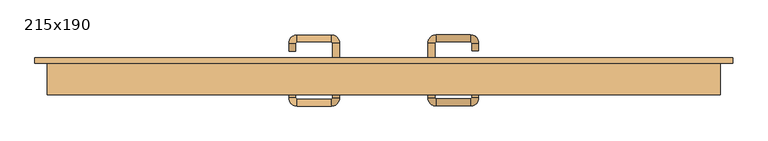
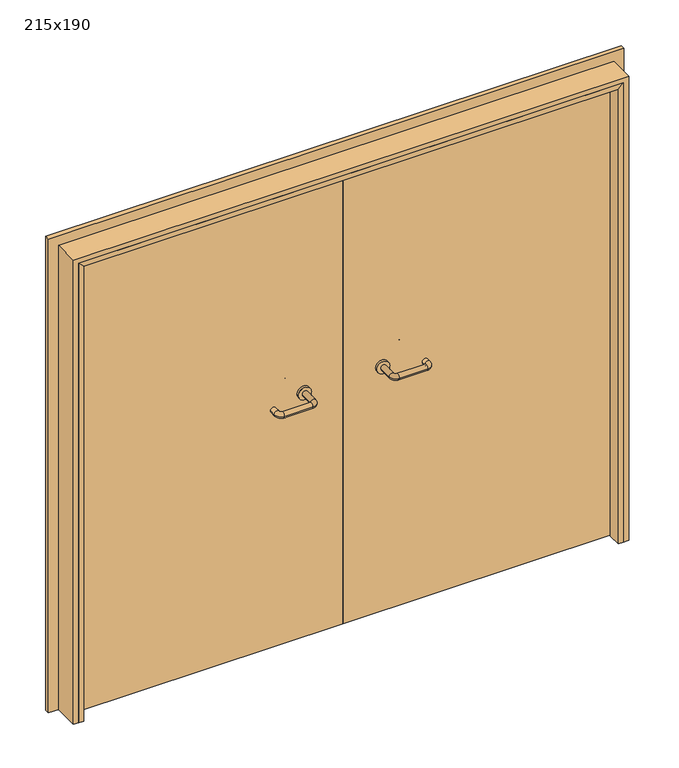
"""IFC4 building model written with IfcOpenShell, lengths in millimetres: door geometry, 215x190."""

from ifc_helpers import new_model, si_unit, point, frame, frame_2d, origin, place, context, project, spatial, polyline, circle_curve, ellipse_curve, trimmed, segment, composite_curve, outline, extrude, faceted_brep, source, transform, mapped, element, save
from ifc_brep_helpers import plane_surface, cylinder_surface, revolved_surface, advanced_brep


def door_215x190_ee1ec59c(model_context):
    return source(origin(), model_context, "Body", "SolidModel", [
        faceted_brep([(-1035.0, 28.0, 0.0), (-1035.0, -25.0, 0.0), (-1055.0, -25.0, 0.0), (-1055.0, 28.0, 0.0), (-1035.0, 28.0, 1860.0), (-1035.0, -25.0, 1860.0), (-1055.0, -25.0, 1880.0), (-1055.0, 28.0, 1880.0), (1035.0, 28.0, 0.0), (1055.0, 28.0, 0.0), (1055.0, -25.0, 0.0), (1035.0, -25.0, 0.0), (1035.0, 28.0, 1860.0), (1055.0, 28.0, 1880.0), (1055.0, -25.0, 1880.0), (1035.0, -25.0, 1860.0)], [[[0, 1, 2, 3]], [[1, 0, 4, 5]], [[2, 1, 5, 6]], [[3, 2, 6, 7]], [[0, 3, 7, 4]], [[8, 9, 10, 11]], [[12, 13, 9, 8]], [[13, 14, 10, 9]], [[14, 15, 11, 10]], [[15, 12, 8, 11]], [[5, 4, 12, 15]], [[6, 5, 15, 14]], [[7, 6, 14, 13]], [[4, 7, 13, 12]]]),
        extrude(outline(polyline([(1939.0, 1114.0), (1939.0, -1114.0), (0.0, -1114.0), (0.0, -1070.0), (1895.0, -1070.0), (1895.0, 1070.0), (0.0, 1070.0), (0.0, 1114.0), (1939.0, 1114.0)])), frame((0.0, 75.0, 0.0), z_axis=(0.0, 1.0, 0.0), x_axis=(0.0, 0.0, 1.0)), (0.0, 0.0, 1.0), 18.0),
        extrude(outline(polyline([(1900.0, -1075.0), (0.0, -1075.0), (0.0, -1055.0), (1880.0, -1055.0), (1880.0, 1055.0), (0.0, 1055.0), (0.0, 1075.0), (1900.0, 1075.0), (1900.0, -1075.0)])), frame((0.0, -25.0, 0.0), z_axis=(0.0, 1.0, 0.0), x_axis=(0.0, 0.0, 1.0)), (0.0, 0.0, 1.0), 100.0),
        advanced_brep(
        [(140.99898, 21.0, 1003.0), (162.99898, 21.0, 1003.0), (140.99898, -34.3525369, 1003.0), (162.99898, -34.3525369, 1003.0), (166.99898, -38.3525369, 1003.0), (166.99898, -60.3525369, 1003.0), (276.99898, -60.3525369, 1003.0), (276.99898, -38.3525369, 1003.0), (280.99898, -34.3525369, 1003.0), (302.99898, -34.3525369, 1003.0), (302.99898, -17.0, 1003.0), (280.99898, -17.0, 1003.0)],
        [
            (0, 1, circle_curve(frame((151.99898, 21.0, 1003.0), z_axis=(0.0, 1.0, 0.0), x_axis=(1.0, 0.0, 0.0)), 11.0)),
            (1, 0, circle_curve(frame((151.99898, 21.0, 1003.0), z_axis=(0.0, 1.0, 0.0), x_axis=(1.0, 0.0, 0.0)), 11.0)),
            (0, 2),
            (2, 3, circle_curve(frame((151.99898, -34.3525369, 1003.0), z_axis=(0.0, 1.0, 0.0), x_axis=(1.0, 0.0, 0.0)), 11.0)),
            (3, 1),
            (3, 2, circle_curve(frame((151.99898, -34.3525369, 1003.0), z_axis=(0.0, 1.0, 0.0), x_axis=(1.0, 0.0, 0.0)), 11.0)),
            (4, 3, circle_curve(frame((166.99898, -34.3525369, 1003.0), z_axis=(0.0, 0.0, -1.0), x_axis=(-1.0, 0.0, 0.0)), 4.0)),
            (2, 5, circle_curve(frame((166.99898, -34.3525369, 1003.0), z_axis=(0.0, 0.0, 1.0), x_axis=(-1.0, 0.0, 0.0)), 26.0)),
            (5, 4, circle_curve(frame((166.99898, -49.3525369, 1003.0), z_axis=(-1.0, 0.0, 0.0), x_axis=(0.0, 1.0, 0.0)), 11.0)),
            (4, 5, circle_curve(frame((166.99898, -49.3525369, 1003.0), z_axis=(-1.0, 0.0, 0.0), x_axis=(0.0, 1.0, 0.0)), 11.0)),
            (5, 6),
            (6, 7, circle_curve(frame((276.99898, -49.3525369, 1003.0), z_axis=(-1.0, 0.0, 0.0), x_axis=(0.0, 1.0, 0.0)), 11.0)),
            (7, 4),
            (7, 6, circle_curve(frame((276.99898, -49.3525369, 1003.0), z_axis=(-1.0, 0.0, 0.0), x_axis=(0.0, 1.0, 0.0)), 11.0)),
            (8, 7, circle_curve(frame((276.99898, -34.3525369, 1003.0), z_axis=(0.0, 0.0, -1.0), x_axis=(0.0, -1.0, 0.0)), 4.0)),
            (6, 9, circle_curve(frame((276.99898, -34.3525369, 1003.0), z_axis=(0.0, 0.0, 1.0), x_axis=(0.0, -1.0, 0.0)), 26.0)),
            (9, 8, circle_curve(frame((291.99898, -34.3525369, 1003.0), z_axis=(0.0, -1.0, 0.0), x_axis=(-1.0, 0.0, 0.0)), 11.0)),
            (8, 9, circle_curve(frame((291.99898, -34.3525369, 1003.0), z_axis=(0.0, -1.0, 0.0), x_axis=(-1.0, 0.0, 0.0)), 11.0)),
            (10, 11, circle_curve(frame((291.99898, -17.0, 1003.0), z_axis=(0.0, 1.0, 0.0), x_axis=(-1.0, 0.0, 0.0)), 11.0)),
            (11, 10, circle_curve(frame((291.99898, -17.0, 1003.0), z_axis=(0.0, 1.0, 0.0), x_axis=(-1.0, 0.0, 0.0)), 11.0)),
            (9, 10),
            (11, 8),
        ],
        [
            plane_surface(frame((140.99898, 21.0, 1003.0), z_axis=(0.0, 1.0, 0.0), x_axis=(0.0, 0.0, -1.0))),
            cylinder_surface(frame((151.99898, 21.0, 1003.0), z_axis=(0.0, 1.0, 0.0), x_axis=(1.0, 0.0, 0.0)), 11.0),
            revolved_surface(trimmed(ellipse_curve(frame((151.99898, -34.3525369, 1003.0), z_axis=(0.0, 1.0, 0.0), x_axis=(1.0, 0.0, 0.0)), 11.0, 11.0), [point((140.99898, -34.3525369, 1003.0))], [point((162.99898, -34.3525369, 1003.0))], True, "CARTESIAN"), (166.99898, -34.3525369, 1003.0), (0.0, 0.0, 1.0)),
            revolved_surface(trimmed(ellipse_curve(frame((151.99898, -34.3525369, 1003.0), z_axis=(0.0, 1.0, 0.0), x_axis=(1.0, 0.0, 0.0)), 11.0, 11.0), [point((162.99898, -34.3525369, 1003.0))], [point((140.99898, -34.3525369, 1003.0))], True, "CARTESIAN"), (166.99898, -34.3525369, 1003.0), (0.0, 0.0, 1.0)),
            cylinder_surface(frame((166.99898, -49.3525369, 1003.0), z_axis=(-1.0, 0.0, 0.0), x_axis=(0.0, 1.0, 0.0)), 11.0),
            revolved_surface(trimmed(ellipse_curve(frame((276.99898, -49.3525369, 1003.0), z_axis=(-1.0, 0.0, 0.0), x_axis=(0.0, 1.0, 0.0)), 11.0, 11.0), [point((276.99898, -60.3525369, 1003.0))], [point((276.99898, -38.3525369, 1003.0))], True, "CARTESIAN"), (276.99898, -34.3525369, 1003.0), (0.0, 0.0, 1.0)),
            revolved_surface(trimmed(ellipse_curve(frame((276.99898, -49.3525369, 1003.0), z_axis=(-1.0, 0.0, 0.0), x_axis=(0.0, 1.0, 0.0)), 11.0, 11.0), [point((276.99898, -38.3525369, 1003.0))], [point((276.99898, -60.3525369, 1003.0))], True, "CARTESIAN"), (276.99898, -34.3525369, 1003.0), (0.0, 0.0, 1.0)),
            plane_surface(frame((280.99898, -17.0, 1003.0), z_axis=(0.0, 1.0, 0.0), x_axis=(0.0, 0.0, 1.0))),
            cylinder_surface(frame((291.99898, -34.3525369, 1003.0), z_axis=(0.0, -1.0, 0.0), x_axis=(-1.0, 0.0, 0.0)), 11.0),
        ],
        [
            (0, [[1, 2]]),
            (1, [[-1, 3, 4, 5]]),
            (1, [[-2, -5, 6, -3]]),
            (2, [[7, -4, 8, 9]]),
            (3, [[-8, -6, -7, 10]]),
            (4, [[-9, 11, 12, 13]]),
            (4, [[-10, -13, 14, -11]]),
            (5, [[15, -12, 16, 17]]),
            (6, [[-16, -14, -15, 18]]),
            (7, [[19, 20]]),
            (8, [[-17, 21, -20, 22]]),
            (8, [[-18, -22, -19, -21]]),
        ],
    ),
        extrude(outline(composite_curve([segment(trimmed(circle_curve(frame_2d((1003.0, 151.99898)), 25.0), [point((1003.0, 126.99898))], [point((1003.0, 176.99898))], False, "CARTESIAN"), True, "CONTINUOUS"), segment(trimmed(circle_curve(frame_2d((1003.0, 151.99898)), 25.0), [point((1003.0, 176.99898))], [point((1003.0, 126.99898))], False, "CARTESIAN"), True, "CONTINUOUS")], self_intersect=False)), frame((0.0, 21.0, 0.0), z_axis=(0.0, 1.0, 0.0), x_axis=(0.0, 0.0, 1.0)), (0.0, 0.0, 1.0), 10.0),
        advanced_brep(
        [(162.99898, 85.0, 1003.0), (140.99898, 85.0, 1003.0), (162.99898, 140.0, 1003.0), (140.99898, 140.0, 1003.0), (166.99898, 166.0, 1003.0), (166.99898, 144.0, 1003.0), (276.99898, 144.0, 1003.0), (276.99898, 166.0, 1003.0), (302.99898, 140.0, 1003.0), (280.99898, 140.0, 1003.0), (280.99898, 115.0, 1003.0), (302.99898, 115.0, 1003.0)],
        [
            (0, 1, circle_curve(frame((151.99898, 85.0, 1003.0), z_axis=(0.0, -1.0, 0.0), x_axis=(-1.0, 0.0, 0.0)), 11.0)),
            (1, 0, circle_curve(frame((151.99898, 85.0, 1003.0), z_axis=(0.0, -1.0, 0.0), x_axis=(-1.0, 0.0, 0.0)), 11.0)),
            (0, 2),
            (2, 3, circle_curve(frame((151.99898, 140.0, 1003.0), z_axis=(0.0, -1.0, 0.0), x_axis=(-1.0, 0.0, 0.0)), 11.0)),
            (3, 1),
            (3, 2, circle_curve(frame((151.99898, 140.0, 1003.0), z_axis=(0.0, -1.0, 0.0), x_axis=(-1.0, 0.0, 0.0)), 11.0)),
            (4, 3, circle_curve(frame((166.99898, 140.0, 1003.0), z_axis=(0.0, 0.0, 1.0), x_axis=(-1.0, 0.0, 0.0)), 26.0)),
            (2, 5, circle_curve(frame((166.99898, 140.0, 1003.0), z_axis=(0.0, 0.0, -1.0), x_axis=(-1.0, 0.0, 0.0)), 4.0)),
            (5, 4, circle_curve(frame((166.99898, 155.0, 1003.0), z_axis=(-1.0, 0.0, 0.0), x_axis=(0.0, 1.0, 0.0)), 11.0)),
            (4, 5, circle_curve(frame((166.99898, 155.0, 1003.0), z_axis=(-1.0, 0.0, 0.0), x_axis=(0.0, 1.0, 0.0)), 11.0)),
            (5, 6),
            (6, 7, circle_curve(frame((276.99898, 155.0, 1003.0), z_axis=(-1.0, 0.0, 0.0), x_axis=(0.0, 1.0, 0.0)), 11.0)),
            (7, 4),
            (7, 6, circle_curve(frame((276.99898, 155.0, 1003.0), z_axis=(-1.0, 0.0, 0.0), x_axis=(0.0, 1.0, 0.0)), 11.0)),
            (8, 7, circle_curve(frame((276.99898, 140.0, 1003.0), z_axis=(0.0, 0.0, 1.0), x_axis=(0.0, 1.0, 0.0)), 26.0)),
            (6, 9, circle_curve(frame((276.99898, 140.0, 1003.0), z_axis=(0.0, 0.0, -1.0), x_axis=(0.0, 1.0, 0.0)), 4.0)),
            (9, 8, circle_curve(frame((291.99898, 140.0, 1003.0), z_axis=(0.0, 1.0, 0.0), x_axis=(1.0, 0.0, 0.0)), 11.0)),
            (8, 9, circle_curve(frame((291.99898, 140.0, 1003.0), z_axis=(0.0, 1.0, 0.0), x_axis=(1.0, 0.0, 0.0)), 11.0)),
            (10, 11, circle_curve(frame((291.99898, 115.0, 1003.0), z_axis=(0.0, -1.0, 0.0), x_axis=(1.0, 0.0, 0.0)), 11.0)),
            (11, 10, circle_curve(frame((291.99898, 115.0, 1003.0), z_axis=(0.0, -1.0, 0.0), x_axis=(1.0, 0.0, 0.0)), 11.0)),
            (9, 10),
            (11, 8),
        ],
        [
            plane_surface(frame((140.99898, 85.0, 1003.0), z_axis=(0.0, -1.0, 0.0), x_axis=(0.0, 0.0, 1.0))),
            cylinder_surface(frame((151.99898, 85.0, 1003.0), z_axis=(0.0, -1.0, 0.0), x_axis=(-1.0, 0.0, 0.0)), 11.0),
            revolved_surface(trimmed(ellipse_curve(frame((151.99898, 140.0, 1003.0), z_axis=(0.0, -1.0, 0.0), x_axis=(-1.0, 0.0, 0.0)), 11.0, 11.0), [point((162.99898, 140.0, 1003.0))], [point((140.99898, 140.0, 1003.0))], True, "CARTESIAN"), (166.99898, 140.0, 1003.0), (0.0, 0.0, -1.0)),
            revolved_surface(trimmed(ellipse_curve(frame((151.99898, 140.0, 1003.0), z_axis=(0.0, -1.0, 0.0), x_axis=(-1.0, 0.0, 0.0)), 11.0, 11.0), [point((140.99898, 140.0, 1003.0))], [point((162.99898, 140.0, 1003.0))], True, "CARTESIAN"), (166.99898, 140.0, 1003.0), (0.0, 0.0, -1.0)),
            cylinder_surface(frame((166.99898, 155.0, 1003.0), z_axis=(-1.0, 0.0, 0.0), x_axis=(0.0, 1.0, 0.0)), 11.0),
            revolved_surface(trimmed(ellipse_curve(frame((276.99898, 155.0, 1003.0), z_axis=(-1.0, 0.0, 0.0), x_axis=(0.0, 1.0, 0.0)), 11.0, 11.0), [point((276.99898, 144.0, 1003.0))], [point((276.99898, 166.0, 1003.0))], True, "CARTESIAN"), (276.99898, 140.0, 1003.0), (0.0, 0.0, -1.0)),
            revolved_surface(trimmed(ellipse_curve(frame((276.99898, 155.0, 1003.0), z_axis=(-1.0, 0.0, 0.0), x_axis=(0.0, 1.0, 0.0)), 11.0, 11.0), [point((276.99898, 166.0, 1003.0))], [point((276.99898, 144.0, 1003.0))], True, "CARTESIAN"), (276.99898, 140.0, 1003.0), (0.0, 0.0, -1.0)),
            plane_surface(frame((280.99898, 115.0, 1003.0), z_axis=(0.0, -1.0, 0.0), x_axis=(0.0, 0.0, -1.0))),
            cylinder_surface(frame((291.99898, 140.0, 1003.0), z_axis=(0.0, 1.0, 0.0), x_axis=(1.0, 0.0, 0.0)), 11.0),
        ],
        [
            (0, [[1, 2]]),
            (1, [[-1, 3, 4, 5]]),
            (1, [[-2, -5, 6, -3]]),
            (2, [[7, -4, 8, 9]]),
            (3, [[-8, -6, -7, 10]]),
            (4, [[-9, 11, 12, 13]]),
            (4, [[-10, -13, 14, -11]]),
            (5, [[15, -12, 16, 17]]),
            (6, [[-16, -14, -15, 18]]),
            (7, [[19, 20]]),
            (8, [[-17, 21, -20, 22]]),
            (8, [[-18, -22, -19, -21]]),
        ],
    ),
        extrude(outline(composite_curve([segment(trimmed(circle_curve(frame_2d((1003.0, 151.99898)), 25.0), [point((1003.0, 176.99898))], [point((1003.0, 126.99898))], False, "CARTESIAN"), True, "CONTINUOUS"), segment(trimmed(circle_curve(frame_2d((1003.0, 151.99898)), 25.0), [point((1003.0, 126.99898))], [point((1003.0, 176.99898))], False, "CARTESIAN"), True, "CONTINUOUS")], self_intersect=False)), frame((0.0, 75.0, 0.0), z_axis=(0.0, 1.0, 0.0), x_axis=(0.0, 0.0, 1.0)), (0.0, 0.0, 1.0), 10.0),
        advanced_brep(
        [(-162.99898, 20.6886121, 1003.0), (-140.99898, 20.6886121, 1003.0), (-162.99898, -34.7220447, 1003.0), (-140.99898, -34.7220447, 1003.0), (-166.99898, -60.7220447, 1003.0), (-166.99898, -38.7220447, 1003.0), (-276.99898, -38.7220447, 1003.0), (-276.99898, -60.7220447, 1003.0), (-302.99898, -34.7220447, 1003.0), (-280.99898, -34.7220447, 1003.0), (-280.99898, -9.7220447, 1003.0), (-302.99898, -9.7220447, 1003.0)],
        [
            (0, 1, circle_curve(frame((-151.99898, 20.6886121, 1003.0), z_axis=(0.0, 1.0, 0.0), x_axis=(1.0, 0.0, 0.0)), 11.0)),
            (1, 0, circle_curve(frame((-151.99898, 20.6886121, 1003.0), z_axis=(0.0, 1.0, 0.0), x_axis=(1.0, 0.0, 0.0)), 11.0)),
            (0, 2),
            (2, 3, circle_curve(frame((-151.99898, -34.7220447, 1003.0), z_axis=(0.0, 1.0, 0.0), x_axis=(1.0, 0.0, 0.0)), 11.0)),
            (3, 1),
            (3, 2, circle_curve(frame((-151.99898, -34.7220447, 1003.0), z_axis=(0.0, 1.0, 0.0), x_axis=(1.0, 0.0, 0.0)), 11.0)),
            (4, 3, circle_curve(frame((-166.99898, -34.7220447, 1003.0), z_axis=(0.0, 0.0, 1.0), x_axis=(1.0, 0.0, 0.0)), 26.0)),
            (2, 5, circle_curve(frame((-166.99898, -34.7220447, 1003.0), z_axis=(0.0, 0.0, -1.0), x_axis=(1.0, 0.0, 0.0)), 4.0)),
            (5, 4, circle_curve(frame((-166.99898, -49.7220447, 1003.0), z_axis=(1.0, 0.0, 0.0), x_axis=(0.0, -1.0, 0.0)), 11.0)),
            (4, 5, circle_curve(frame((-166.99898, -49.7220447, 1003.0), z_axis=(1.0, 0.0, 0.0), x_axis=(0.0, -1.0, 0.0)), 11.0)),
            (5, 6),
            (6, 7, circle_curve(frame((-276.99898, -49.7220447, 1003.0), z_axis=(1.0, 0.0, 0.0), x_axis=(0.0, -1.0, 0.0)), 11.0)),
            (7, 4),
            (7, 6, circle_curve(frame((-276.99898, -49.7220447, 1003.0), z_axis=(1.0, 0.0, 0.0), x_axis=(0.0, -1.0, 0.0)), 11.0)),
            (8, 7, circle_curve(frame((-276.99898, -34.7220447, 1003.0), z_axis=(0.0, 0.0, 1.0), x_axis=(0.0, -1.0, 0.0)), 26.0)),
            (6, 9, circle_curve(frame((-276.99898, -34.7220447, 1003.0), z_axis=(0.0, 0.0, -1.0), x_axis=(0.0, -1.0, 0.0)), 4.0)),
            (9, 8, circle_curve(frame((-291.99898, -34.7220447, 1003.0), z_axis=(0.0, -1.0, 0.0), x_axis=(-1.0, 0.0, 0.0)), 11.0)),
            (8, 9, circle_curve(frame((-291.99898, -34.7220447, 1003.0), z_axis=(0.0, -1.0, 0.0), x_axis=(-1.0, 0.0, 0.0)), 11.0)),
            (10, 11, circle_curve(frame((-291.99898, -9.7220447, 1003.0), z_axis=(0.0, 1.0, 0.0), x_axis=(-1.0, 0.0, 0.0)), 11.0)),
            (11, 10, circle_curve(frame((-291.99898, -9.7220447, 1003.0), z_axis=(0.0, 1.0, 0.0), x_axis=(-1.0, 0.0, 0.0)), 11.0)),
            (9, 10),
            (11, 8),
        ],
        [
            plane_surface(frame((-162.99898, 20.6886121, 1003.0), z_axis=(0.0, 1.0, 0.0), x_axis=(0.0, 0.0, -1.0))),
            cylinder_surface(frame((-151.99898, 20.6886121, 1003.0), z_axis=(0.0, 1.0, 0.0), x_axis=(1.0, 0.0, 0.0)), 11.0),
            revolved_surface(trimmed(ellipse_curve(frame((-151.99898, -34.7220447, 1003.0), z_axis=(0.0, 1.0, 0.0), x_axis=(1.0, 0.0, 0.0)), 11.0, 11.0), [point((-162.99898, -34.7220447, 1003.0))], [point((-140.99898, -34.7220447, 1003.0))], True, "CARTESIAN"), (-166.99898, -34.7220447, 1003.0), (0.0, 0.0, -1.0)),
            revolved_surface(trimmed(ellipse_curve(frame((-151.99898, -34.7220447, 1003.0), z_axis=(0.0, 1.0, 0.0), x_axis=(1.0, 0.0, 0.0)), 11.0, 11.0), [point((-140.99898, -34.7220447, 1003.0))], [point((-162.99898, -34.7220447, 1003.0))], True, "CARTESIAN"), (-166.99898, -34.7220447, 1003.0), (0.0, 0.0, -1.0)),
            cylinder_surface(frame((-166.99898, -49.7220447, 1003.0), z_axis=(1.0, 0.0, 0.0), x_axis=(0.0, -1.0, 0.0)), 11.0),
            revolved_surface(trimmed(ellipse_curve(frame((-276.99898, -49.7220447, 1003.0), z_axis=(1.0, 0.0, 0.0), x_axis=(0.0, -1.0, 0.0)), 11.0, 11.0), [point((-276.99898, -38.7220447, 1003.0))], [point((-276.99898, -60.7220447, 1003.0))], True, "CARTESIAN"), (-276.99898, -34.7220447, 1003.0), (0.0, 0.0, -1.0)),
            revolved_surface(trimmed(ellipse_curve(frame((-276.99898, -49.7220447, 1003.0), z_axis=(1.0, 0.0, 0.0), x_axis=(0.0, -1.0, 0.0)), 11.0, 11.0), [point((-276.99898, -60.7220447, 1003.0))], [point((-276.99898, -38.7220447, 1003.0))], True, "CARTESIAN"), (-276.99898, -34.7220447, 1003.0), (0.0, 0.0, -1.0)),
            plane_surface(frame((-302.99898, -9.7220447, 1003.0), z_axis=(0.0, 1.0, 0.0), x_axis=(0.0, 0.0, 1.0))),
            cylinder_surface(frame((-291.99898, -34.7220447, 1003.0), z_axis=(0.0, -1.0, 0.0), x_axis=(-1.0, 0.0, 0.0)), 11.0),
        ],
        [
            (0, [[1, 2]]),
            (1, [[-1, 3, 4, 5]]),
            (1, [[-2, -5, 6, -3]]),
            (2, [[7, -4, 8, 9]]),
            (3, [[-8, -6, -7, 10]]),
            (4, [[-9, 11, 12, 13]]),
            (4, [[-10, -13, 14, -11]]),
            (5, [[15, -12, 16, 17]]),
            (6, [[-16, -14, -15, 18]]),
            (7, [[19, 20]]),
            (8, [[-17, 21, -20, 22]]),
            (8, [[-18, -22, -19, -21]]),
        ],
    ),
        extrude(outline(composite_curve([segment(trimmed(circle_curve(frame_2d((1003.0, -151.99898)), 25.0), [point((1003.0, -176.99898))], [point((1003.0, -126.99898))], False, "CARTESIAN"), True, "CONTINUOUS"), segment(trimmed(circle_curve(frame_2d((1003.0, -151.99898)), 25.0), [point((1003.0, -126.99898))], [point((1003.0, -176.99898))], False, "CARTESIAN"), True, "CONTINUOUS")], self_intersect=False)), frame((0.0, 20.6886121, 0.0), z_axis=(0.0, 1.0, 0.0), x_axis=(0.0, 0.0, 1.0)), (0.0, 0.0, 1.0), 10.3113879),
        advanced_brep(
        [(-140.99898, 84.5143417, 1003.0), (-162.99898, 84.5143417, 1003.0), (-140.99898, 139.6104656, 1003.0), (-162.99898, 139.6104656, 1003.0), (-166.99898, 143.6104656, 1003.0), (-166.99898, 165.6104656, 1003.0), (-276.99898, 165.6104656, 1003.0), (-276.99898, 143.6104656, 1003.0), (-280.99898, 139.6104656, 1003.0), (-302.99898, 139.6104656, 1003.0), (-302.99898, 114.6104656, 1003.0), (-280.99898, 114.6104656, 1003.0)],
        [
            (0, 1, circle_curve(frame((-151.99898, 84.5143417, 1003.0), z_axis=(0.0, -1.0, 0.0), x_axis=(-1.0, 0.0, 0.0)), 11.0)),
            (1, 0, circle_curve(frame((-151.99898, 84.5143417, 1003.0), z_axis=(0.0, -1.0, 0.0), x_axis=(-1.0, 0.0, 0.0)), 11.0)),
            (0, 2),
            (2, 3, circle_curve(frame((-151.99898, 139.6104656, 1003.0), z_axis=(0.0, -1.0, 0.0), x_axis=(-1.0, 0.0, 0.0)), 11.0)),
            (3, 1),
            (3, 2, circle_curve(frame((-151.99898, 139.6104656, 1003.0), z_axis=(0.0, -1.0, 0.0), x_axis=(-1.0, 0.0, 0.0)), 11.0)),
            (4, 3, circle_curve(frame((-166.99898, 139.6104656, 1003.0), z_axis=(0.0, 0.0, -1.0), x_axis=(1.0, 0.0, 0.0)), 4.0)),
            (2, 5, circle_curve(frame((-166.99898, 139.6104656, 1003.0), z_axis=(0.0, 0.0, 1.0), x_axis=(1.0, 0.0, 0.0)), 26.0)),
            (5, 4, circle_curve(frame((-166.99898, 154.6104656, 1003.0), z_axis=(1.0, 0.0, 0.0), x_axis=(0.0, -1.0, 0.0)), 11.0)),
            (4, 5, circle_curve(frame((-166.99898, 154.6104656, 1003.0), z_axis=(1.0, 0.0, 0.0), x_axis=(0.0, -1.0, 0.0)), 11.0)),
            (5, 6),
            (6, 7, circle_curve(frame((-276.99898, 154.6104656, 1003.0), z_axis=(1.0, 0.0, 0.0), x_axis=(0.0, -1.0, 0.0)), 11.0)),
            (7, 4),
            (7, 6, circle_curve(frame((-276.99898, 154.6104656, 1003.0), z_axis=(1.0, 0.0, 0.0), x_axis=(0.0, -1.0, 0.0)), 11.0)),
            (8, 7, circle_curve(frame((-276.99898, 139.6104656, 1003.0), z_axis=(0.0, 0.0, -1.0), x_axis=(0.0, 1.0, 0.0)), 4.0)),
            (6, 9, circle_curve(frame((-276.99898, 139.6104656, 1003.0), z_axis=(0.0, 0.0, 1.0), x_axis=(0.0, 1.0, 0.0)), 26.0)),
            (9, 8, circle_curve(frame((-291.99898, 139.6104656, 1003.0), z_axis=(0.0, 1.0, 0.0), x_axis=(1.0, 0.0, 0.0)), 11.0)),
            (8, 9, circle_curve(frame((-291.99898, 139.6104656, 1003.0), z_axis=(0.0, 1.0, 0.0), x_axis=(1.0, 0.0, 0.0)), 11.0)),
            (10, 11, circle_curve(frame((-291.99898, 114.6104656, 1003.0), z_axis=(0.0, -1.0, 0.0), x_axis=(1.0, 0.0, 0.0)), 11.0)),
            (11, 10, circle_curve(frame((-291.99898, 114.6104656, 1003.0), z_axis=(0.0, -1.0, 0.0), x_axis=(1.0, 0.0, 0.0)), 11.0)),
            (9, 10),
            (11, 8),
        ],
        [
            plane_surface(frame((-162.99898, 84.5143417, 1003.0), z_axis=(0.0, -1.0, 0.0), x_axis=(0.0, 0.0, 1.0))),
            cylinder_surface(frame((-151.99898, 84.5143417, 1003.0), z_axis=(0.0, -1.0, 0.0), x_axis=(-1.0, 0.0, 0.0)), 11.0),
            revolved_surface(trimmed(ellipse_curve(frame((-151.99898, 139.6104656, 1003.0), z_axis=(0.0, -1.0, 0.0), x_axis=(-1.0, 0.0, 0.0)), 11.0, 11.0), [point((-140.99898, 139.6104656, 1003.0))], [point((-162.99898, 139.6104656, 1003.0))], True, "CARTESIAN"), (-166.99898, 139.6104656, 1003.0), (0.0, 0.0, 1.0)),
            revolved_surface(trimmed(ellipse_curve(frame((-151.99898, 139.6104656, 1003.0), z_axis=(0.0, -1.0, 0.0), x_axis=(-1.0, 0.0, 0.0)), 11.0, 11.0), [point((-162.99898, 139.6104656, 1003.0))], [point((-140.99898, 139.6104656, 1003.0))], True, "CARTESIAN"), (-166.99898, 139.6104656, 1003.0), (0.0, 0.0, 1.0)),
            cylinder_surface(frame((-166.99898, 154.6104656, 1003.0), z_axis=(1.0, 0.0, 0.0), x_axis=(0.0, -1.0, 0.0)), 11.0),
            revolved_surface(trimmed(ellipse_curve(frame((-276.99898, 154.6104656, 1003.0), z_axis=(1.0, 0.0, 0.0), x_axis=(0.0, -1.0, 0.0)), 11.0, 11.0), [point((-276.99898, 165.6104656, 1003.0))], [point((-276.99898, 143.6104656, 1003.0))], True, "CARTESIAN"), (-276.99898, 139.6104656, 1003.0), (0.0, 0.0, 1.0)),
            revolved_surface(trimmed(ellipse_curve(frame((-276.99898, 154.6104656, 1003.0), z_axis=(1.0, 0.0, 0.0), x_axis=(0.0, -1.0, 0.0)), 11.0, 11.0), [point((-276.99898, 143.6104656, 1003.0))], [point((-276.99898, 165.6104656, 1003.0))], True, "CARTESIAN"), (-276.99898, 139.6104656, 1003.0), (0.0, 0.0, 1.0)),
            plane_surface(frame((-302.99898, 114.6104656, 1003.0), z_axis=(0.0, -1.0, 0.0), x_axis=(0.0, 0.0, -1.0))),
            cylinder_surface(frame((-291.99898, 139.6104656, 1003.0), z_axis=(0.0, 1.0, 0.0), x_axis=(1.0, 0.0, 0.0)), 11.0),
        ],
        [
            (0, [[1, 2]]),
            (1, [[-1, 3, 4, 5]]),
            (1, [[-2, -5, 6, -3]]),
            (2, [[7, -4, 8, 9]]),
            (3, [[-8, -6, -7, 10]]),
            (4, [[-9, 11, 12, 13]]),
            (4, [[-10, -13, 14, -11]]),
            (5, [[15, -12, 16, 17]]),
            (6, [[-16, -14, -15, 18]]),
            (7, [[19, 20]]),
            (8, [[-17, 21, -20, 22]]),
            (8, [[-18, -22, -19, -21]]),
        ],
    ),
        extrude(outline(composite_curve([segment(trimmed(circle_curve(frame_2d((1003.0, -151.99898)), 25.0), [point((1003.0, -126.99898))], [point((1003.0, -176.99898))], False, "CARTESIAN"), True, "CONTINUOUS"), segment(trimmed(circle_curve(frame_2d((1003.0, -151.99898)), 25.0), [point((1003.0, -176.99898))], [point((1003.0, -126.99898))], False, "CARTESIAN"), True, "CONTINUOUS")], self_intersect=False)), frame((0.0, 75.0, 0.0), z_axis=(0.0, 1.0, 0.0), x_axis=(0.0, 0.0, 1.0)), (0.0, 0.0, 1.0), 9.5143417),
        extrude(outline(polyline([(1.0739506, 31.0), (-1052.0, 31.0), (-1052.0, 75.0), (1.0739506, 75.0), (1.0739506, 31.0)])), frame((0.0, 0.0, 1.753223), z_axis=(0.0, 0.0, 1.0), x_axis=(1.0, 0.0, 0.0)), (0.0, 0.0, 1.0), 1878.246777),
        extrude(outline(polyline([(1052.0, 31.0), (1.0739506, 31.0), (1.0739506, 75.0), (1052.0, 75.0), (1052.0, 31.0)])), frame((0.0, 0.0, 1.753223), z_axis=(0.0, 0.0, 1.0), x_axis=(1.0, 0.0, 0.0)), (0.0, 0.0, 1.0), 1878.246777),
    ])


if __name__ == "__main__":
    model = new_model("IFC4")
    model_context = context("Model", 3, world=origin())
    ifc_project = project(units=[si_unit("LENGTHUNIT", "METRE", prefix="MILLI")], contexts=[model_context])
    site = spatial("IfcSite", under=ifc_project)
    building = spatial("IfcBuilding", under=site)
    placement = place(None, origin())
    door_215x190_shape = door_215x190_ee1ec59c(model_context)
    element("IfcDoor", 1, ObjectType="215x190", at=placement, inside=building, context=model_context, shape_type="MappedRepresentation", body=[
        mapped(door_215x190_shape, transform((0.0, 0.0, 0.0), x_axis=(1.0, 0.0, 0.0), y_axis=(0.0, 1.0, 0.0), z_axis=(0.0, 0.0, 1.0))),
    ])
    save(model, "model.ifc")
